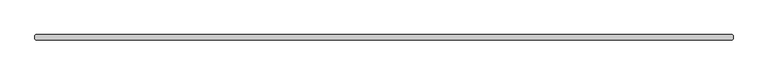
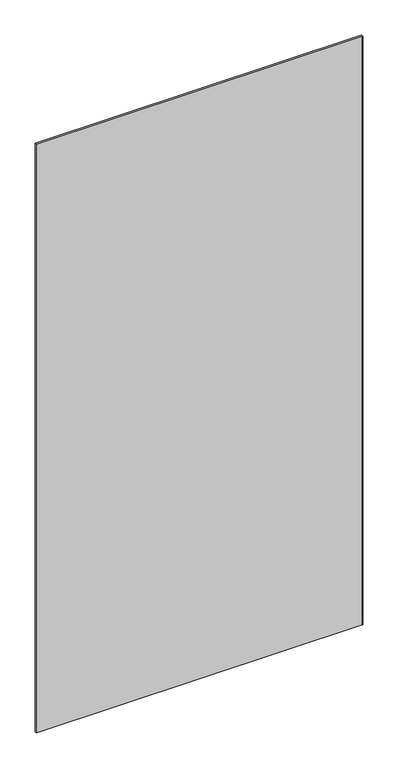
"""IFC4 building model written with IfcOpenShell, lengths in millimetres: plate geometry."""

from ifc_helpers import new_model, si_unit, origin, origin_with_axes, place, context, project, spatial, polyline, outline, extrude, source, transform, mapped, element, save


def plate_4b629bc5(model_context):
    return source(origin(), model_context, "Body", "SweptSolid", [
        extrude(outline(polyline([(633.4125, -34.925), (-633.4125, -34.925), (-635.0, -33.3375), (-635.0, -26.9875), (-633.4125, -25.4), (633.4125, -25.4), (635.0, -26.9875), (635.0, -33.3375), (633.4125, -34.925)])), origin_with_axes(), (0.0, 0.0, 1.0), 2417.075),
    ])


if __name__ == "__main__":
    model = new_model("IFC4")
    model_context = context("Model", 3, world=origin())
    ifc_project = project(units=[si_unit("LENGTHUNIT", "METRE", prefix="MILLI")], contexts=[model_context])
    site = spatial("IfcSite", under=ifc_project)
    building = spatial("IfcBuilding", under=site)
    placement = place(None, origin())
    plate_shape = plate_4b629bc5(model_context)
    element("IfcPlate", 1, at=placement, inside=building, context=model_context, shape_type="MappedRepresentation", body=[
        mapped(plate_shape, transform((0.0, 0.0, 0.0), x_axis=(1.0, 0.0, 0.0), y_axis=(0.0, 1.0, 0.0), z_axis=(0.0, 0.0, 1.0))),
    ])
    save(model, "model.ifc")
